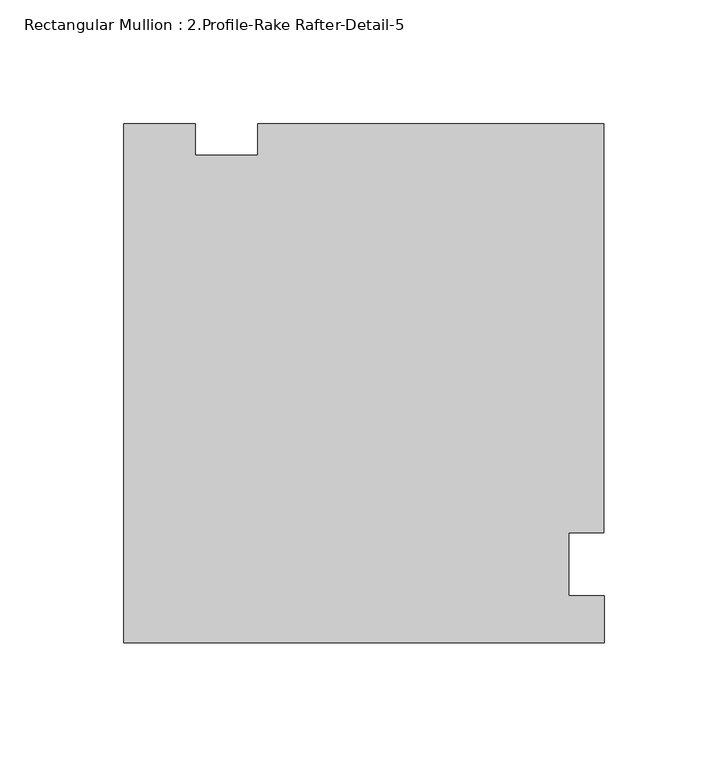
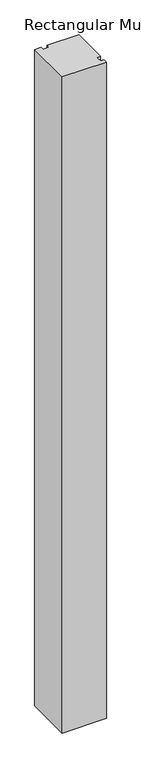
"""IFC4 building model written with IfcOpenShell, lengths in millimetres: member geometry, Rectangular Mullion : 2.Profile-Rake Rafter-Detail-5."""

from ifc_helpers import new_model, si_unit, frame, origin, place, context, project, spatial, polyline, outline, extrude, source, transform, mapped, element, save


def rectangular_mullion_2_profile_rake_rafter_detail_5_59c99456(model_context):
    return source(origin(), model_context, "Body", "SweptSolid", [
        extrude(outline(polyline([(-165.145974, 209.5627), (-165.145974, 196.85), (-139.745974, 196.85), (-139.745974, 209.55), (-0.045974, 209.55), (-0.045974, 44.4499746), (-14.333474, 44.45), (-14.333474, 19.0627762), (0.0, 19.0627762), (0.0, 0.0), (-193.8963442, 0.0), (-193.8963442, 209.5627), (-165.145974, 209.5627)])), frame((0.0, 0.0, -3048.0), z_axis=(0.0, 0.0, 1.0), x_axis=(1.0, 0.0, 0.0)), (0.0, 0.0, 1.0), 3048.0),
    ])


if __name__ == "__main__":
    model = new_model("IFC4")
    model_context = context("Model", 3, world=origin())
    ifc_project = project(units=[si_unit("LENGTHUNIT", "METRE", prefix="MILLI")], contexts=[model_context])
    site = spatial("IfcSite", under=ifc_project)
    building = spatial("IfcBuilding", under=site)
    placement = place(None, origin())
    rectangular_mullion_2_profile_rake_rafter_detail_5_shape = rectangular_mullion_2_profile_rake_rafter_detail_5_59c99456(model_context)
    element("IfcMember", 1, ObjectType="Rectangular Mullion : 2.Profile-Rake Rafter-Detail-5", at=placement, inside=building, context=model_context, shape_type="MappedRepresentation", body=[
        mapped(rectangular_mullion_2_profile_rake_rafter_detail_5_shape, transform((0.0, 0.0, 0.0), x_axis=(1.0, 0.0, 0.0), y_axis=(0.0, 1.0, 0.0), z_axis=(0.0, 0.0, 1.0))),
    ])
    save(model, "model.ifc")
